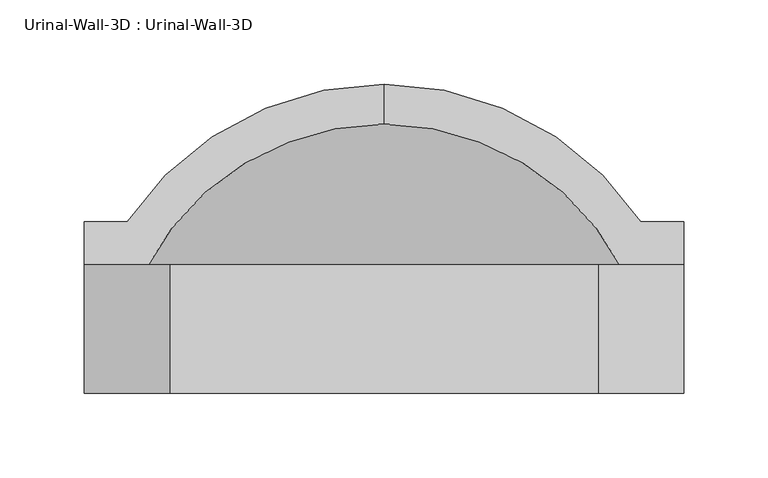
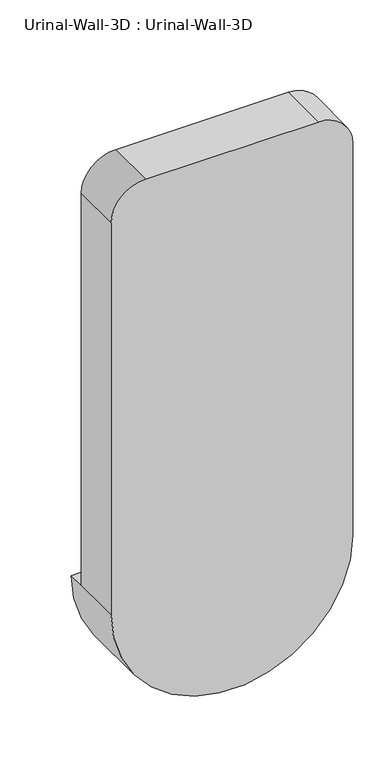
"""IFC4 building model written with IfcOpenShell, lengths in millimetres: flow terminal geometry, Urinal-Wall-3D : Urinal-Wall-3D."""

import ifcopenshell
import ifcopenshell.guid

model = None  # the IFC model being written
_history = None  # IfcOwnerHistory: only IFC2X3 demands one
_inside = {}  # id of a spatial element -> (the spatial element, [elements in it])
_under = {}  # id of a project, library or spatial element -> (it, [spatial elements below it])
_declared = {}  # id of a project -> (the project, [libraries it declares])
_typed = {}  # id of a type object -> (the type object, [elements of that type])
_made_of = {}  # id of a material, layer set ... -> (it, [elements and type objects made of it])


def new_model(schema):
    """Start an empty IFC model of exactly this schema.

    Asked for "IFC4X3", IfcOpenShell would pick the latest addendum, in which some entities
    have other attributes; the version numbers below select the first issue.
    IFC2X3 requires an IfcOwnerHistory on every rooted entity: one is made here for all.
    """
    global model, _history
    if schema == "IFC4X3":
        model = ifcopenshell.file(schema_version=(4, 3, 0, 0))
    else:
        model = ifcopenshell.file(schema=schema)
    _inside.clear()
    _under.clear()
    _declared.clear()
    _typed.clear()
    _made_of.clear()
    _history = None
    if model.schema == "IFC2X3":
        org = make("IfcOrganization", Name="unknown")
        user = make(
            "IfcPersonAndOrganization",
            ThePerson=make("IfcPerson", FamilyName="unknown"),
            TheOrganization=org,
        )
        app = make(
            "IfcApplication",
            ApplicationDeveloper=org,
            Version="unknown",
            ApplicationFullName="unknown",
            ApplicationIdentifier="unknown",
        )
        _history = make(
            "IfcOwnerHistory",
            OwningUser=user,
            OwningApplication=app,
            ChangeAction="ADDED",
            CreationDate=0,
        )
    return model


def make(cls, **values):
    """One entity of the class cls with the attributes given. An attribute that is None is left unset."""
    return model.create_entity(
        cls, **{name: value for name, value in values.items() if value is not None}
    )


def rooted(cls, **values):
    """An entity with a GlobalId (a new one), such as an element, a storey or a relation."""
    return make(cls, GlobalId=ifcopenshell.guid.new(), OwnerHistory=_history, **values)


def si_unit(unit_type, name, prefix=None):
    """IfcSIUnit, for example si_unit("LENGTHUNIT", "METRE", prefix="MILLI")."""
    return make("IfcSIUnit", UnitType=unit_type, Prefix=prefix, Name=name)


def assignment(units):
    """IfcUnitAssignment: the units of a project."""
    return None if units is None else make("IfcUnitAssignment", Units=units)


def point(xyz):
    """IfcCartesianPoint."""
    return None if xyz is None else make("IfcCartesianPoint", Coordinates=xyz)


def direction(xyz):
    """IfcDirection."""
    return None if xyz is None else make("IfcDirection", DirectionRatios=xyz)


def frame(location, z_axis=None, x_axis=None):
    """IfcAxis2Placement3D, a coordinate frame: its origin and axes. An axis left out is left unset."""
    return make(
        "IfcAxis2Placement3D",
        Location=point(location),
        Axis=direction(z_axis),
        RefDirection=direction(x_axis),
    )


def origin():
    """The frame at (0, 0, 0) with its axes left unset."""
    return frame((0.0, 0.0, 0.0))


def place(relative_to, where):
    """IfcLocalPlacement: puts the frame where relative to a parent placement (None: the world)."""
    return make(
        "IfcLocalPlacement", PlacementRelTo=relative_to, RelativePlacement=where
    )


def context(
    kind, dimensions, precision=None, world=None, true_north=None, identifier=None
):
    """IfcGeometricRepresentationContext, for example the 3D "Model" context."""
    return make(
        "IfcGeometricRepresentationContext",
        ContextIdentifier=identifier,
        ContextType=kind,
        CoordinateSpaceDimension=dimensions,
        Precision=precision,
        WorldCoordinateSystem=world,
        TrueNorth=true_north,
    )


def project(units=None, contexts=None):
    """IfcProject with its units and contexts."""
    return rooted(
        "IfcProject",
        Name="project",
        RepresentationContexts=contexts,
        UnitsInContext=assignment(units),
    )


def spatial(cls, under=None, at=None, **own):
    """A site, building, storey or space (cls), placed at a placement, below another one or the project."""
    s = rooted(cls, ObjectPlacement=at, **own)
    if under is not None:
        _under.setdefault(under.id(), (under, []))[1].append(s)
    return s


def polyline(points):
    """IfcPolyline through the points."""
    return make("IfcPolyline", Points=[point(p) for p in points])


def circle_curve(where, radius):
    """IfcCircle in the frame where."""
    return make("IfcCircle", Position=where, Radius=radius)


def ellipse_curve(where, semi_axis1, semi_axis2):
    """IfcEllipse in the frame where."""
    return make(
        "IfcEllipse", Position=where, SemiAxis1=semi_axis1, SemiAxis2=semi_axis2
    )


def trimmed(basis, trim1, trim2, sense, master):
    """IfcTrimmedCurve: the piece of a basis curve between two trims."""
    return make(
        "IfcTrimmedCurve",
        BasisCurve=basis,
        Trim1=trim1,
        Trim2=trim2,
        SenseAgreement=sense,
        MasterRepresentation=master,
    )


def shape(context_of_items, identifier, shape_type, items):
    """IfcShapeRepresentation: the items that make up one representation, for example the "Body"."""
    return make(
        "IfcShapeRepresentation",
        ContextOfItems=context_of_items,
        RepresentationIdentifier=identifier,
        RepresentationType=shape_type,
        Items=items,
    )


def source(mapping_origin, context_of_items, identifier, shape_type, items):
    """IfcRepresentationMap: a shape defined once, which mapped items show again and again."""
    return make(
        "IfcRepresentationMap",
        MappingOrigin=mapping_origin,
        MappedRepresentation=shape(context_of_items, identifier, shape_type, items),
    )


def transform(
    local_origin,
    x_axis=None,
    y_axis=None,
    z_axis=None,
    scale=None,
    scale2=None,
    scale3=None,
    uniform=True,
):
    """IfcCartesianTransformationOperator3D, or its non-uniform kind. x_axis, y_axis, z_axis: its Axis1, 2, 3."""
    if uniform:
        return make(
            "IfcCartesianTransformationOperator3D",
            Axis1=direction(x_axis),
            Axis2=direction(y_axis),
            LocalOrigin=point(local_origin),
            Scale=scale,
            Axis3=direction(z_axis),
        )
    return make(
        "IfcCartesianTransformationOperator3DnonUniform",
        Axis1=direction(x_axis),
        Axis2=direction(y_axis),
        LocalOrigin=point(local_origin),
        Scale=scale,
        Axis3=direction(z_axis),
        Scale2=scale2,
        Scale3=scale3,
    )


def mapped(mapping_source, mapping_target):
    """IfcMappedItem: shows the shape of a source again, moved by a transform."""
    return make(
        "IfcMappedItem", MappingSource=mapping_source, MappingTarget=mapping_target
    )


def made_of(thing, what):
    """Note that an element or type object is made of a material, layer set ...; save() writes the relation."""
    if what is not None:
        _made_of.setdefault(what.id(), (what, []))[1].append(thing)
    return thing


def element(
    cls,
    number,
    at=None,
    inside=None,
    cuts=None,
    type_object=None,
    material=None,
    context=None,
    identifier="Body",
    shape_type=None,
    held_by="IfcProductDefinitionShape",
    body=None,
    shapes=None,
    **own,
):
    """One element of the class cls, such as IfcWall. Its Tag is "e" and its number.

    at: its placement. inside: the storey or other place that contains it. cuts: it is an
    opening in that element (IfcRelVoidsElement). A single representation is given by context,
    identifier, shape_type and body (its items); several are given by shapes. held_by: the class
    of the entity that holds the representations. save() writes the other relations.
    """
    e = rooted(cls, Tag="e%d" % number, ObjectPlacement=at, **own)
    if body is not None:
        shapes = [shape(context, identifier, shape_type, body)]
    if shapes is not None:
        e.Representation = make(held_by, Representations=shapes)
    if inside is not None:
        _inside.setdefault(inside.id(), (inside, []))[1].append(e)
    if cuts is not None:
        rooted(
            "IfcRelVoidsElement", RelatingBuildingElement=cuts, RelatedOpeningElement=e
        )
    if type_object is not None:
        _typed.setdefault(type_object.id(), (type_object, []))[1].append(e)
    return made_of(e, material)


def aggregate(whole, parts):
    """IfcRelAggregates: a whole, such as a stair, and the parts it consists of."""
    return rooted("IfcRelAggregates", RelatingObject=whole, RelatedObjects=parts)


def save(model, path):
    """Write the relations noted so far, then the file.

    IfcRelAggregates (storeys below a building ...), IfcRelContainedInSpatialStructure (elements
    in a storey), IfcRelDefinesByType, IfcRelAssociatesMaterial and IfcRelDeclares: one each for
    every whole, place, type object, material and project.
    """
    for whole, parts in _under.values():
        aggregate(whole, parts)
    for where, things in _inside.values():
        rooted(
            "IfcRelContainedInSpatialStructure",
            RelatedElements=things,
            RelatingStructure=where,
        )
    for kind, things in _typed.values():
        rooted("IfcRelDefinesByType", RelatedObjects=things, RelatingType=kind)
    for what, things in _made_of.values():
        rooted("IfcRelAssociatesMaterial", RelatedObjects=things, RelatingMaterial=what)
    for by, libraries in _declared.values():
        rooted("IfcRelDeclares", RelatingContext=by, RelatedDefinitions=libraries)
    model.write(path)


def plane_surface(at):
    """IfcPlane: the flat surface through the origin of the frame at, square to its z axis."""
    return make("IfcPlane", Position=at)


def cylinder_surface(at, radius):
    """IfcCylindricalSurface: all points at the distance radius from the z axis of the frame at."""
    return make("IfcCylindricalSurface", Position=at, Radius=radius)


def revolved_surface(curve, axis_point, axis_direction):
    """IfcSurfaceOfRevolution: the curve turned about the line through axis_point along axis_direction."""
    return make(
        "IfcSurfaceOfRevolution",
        SweptCurve=make("IfcArbitraryOpenProfileDef", ProfileType="CURVE", Curve=curve),
        AxisPosition=make("IfcAxis1Placement", Location=point(axis_point), Axis=direction(axis_direction)),
    )


def advanced_brep(points, edges, surfaces, faces):
    """IfcAdvancedBrep: a solid bounded by faces that lie on surfaces and meet in shared edges.

    An edge is (start, end): straight between two places in points (the first is 0);
    or (start, end, curve); or (start, end, curve, False) where it runs against its curve.
    A face is (place in surfaces, loops), or (place, loops, False) where it looks against
    its surface's normal. A loop lists edges by number (the first is 1), with a minus sign
    where the edge is run from its end to its start. The first loop is the outer one.
    """
    corners = [point(p) for p in points]
    vertices = [make("IfcVertexPoint", VertexGeometry=c) for c in corners]
    made = []
    for start, end, *more in edges:
        made.append(
            make(
                "IfcEdgeCurve",
                EdgeStart=vertices[start],
                EdgeEnd=vertices[end],
                EdgeGeometry=more[0] if more else make("IfcPolyline", Points=[corners[start], corners[end]]),
                SameSense=more[1] if len(more) > 1 else True,
            )
        )
    hull = []
    for where, loops, *sense in faces:
        bounds = []
        for j, loop in enumerate(loops):
            ring = [make("IfcOrientedEdge", EdgeElement=made[abs(k) - 1], Orientation=k > 0) for k in loop]
            bounds.append(
                make(
                    "IfcFaceOuterBound" if j == 0 else "IfcFaceBound",
                    Bound=make("IfcEdgeLoop", EdgeList=ring),
                    Orientation=True,
                )
            )
        hull.append(make("IfcAdvancedFace", Bounds=bounds, FaceSurface=surfaces[where], SameSense=sense[0] if sense else True))
    return make("IfcAdvancedBrep", Outer=make("IfcClosedShell", CfsFaces=hull))


def urinal_wall_3d_urinal_wall_3d_9d7ce518(model_context):
    return source(origin(), model_context, "Body", "AdvancedBrep", [
        advanced_brep(
        [(-109.0745999, 258.1620048, 609.6), (-109.0745999, 234.4447043, 609.6), (43.3254001, 121.8706063, 609.6), (43.3254001, 151.2, 609.6), (68.7254001, 151.2, 609.6), (68.7254001, 176.6, 609.6), (43.3254001, 176.6, 609.6), (-261.4745999, 176.6, 609.6), (-286.8745999, 176.6, 609.6), (-286.8745999, 151.2, 609.6), (-261.4745999, 151.2, 609.6), (-261.4745999, 121.8706063, 609.6), (-261.4745999, 87.7, 609.6), (43.3254001, 87.7, 609.6), (-286.8745999, 75.0, 609.6), (68.7254001, 75.0, 609.6), (68.7254001, 75.0, 1219.2), (17.9254001, 75.0, 1270.0), (-236.0745999, 75.0, 1270.0), (-286.8745999, 75.0, 1219.2), (43.3254001, 151.2, 1168.4), (-7.4745999, 151.2, 1219.2), (-210.6745999, 151.2, 1219.2), (-261.4745999, 151.2, 1168.4), (-286.8745999, 151.2, 1219.2), (-236.0745999, 151.2, 1270.0), (17.9254001, 151.2, 1270.0), (68.7254001, 151.2, 1219.2), (43.3254001, 87.7, 1168.4), (-7.4745999, 87.7, 1219.2), (-210.6745999, 87.7, 1219.2), (-261.4745999, 87.7, 1168.4)],
        [
            (0, 1),
            (1, 2, circle_curve(frame((-109.0745999, 75.0, 609.6), z_axis=(0.0, 0.0, -1.0), x_axis=(1.0, 0.0, 0.0)), 159.4447043)),
            (2, 3),
            (3, 4),
            (4, 5),
            (5, 6),
            (6, 0, circle_curve(frame((-109.0745999, 75.0, 609.6), z_axis=(0.0, 0.0, 1.0), x_axis=(1.0, 0.0, 0.0)), 183.1620048)),
            (0, 7, circle_curve(frame((-109.0745999, 75.0, 609.6), z_axis=(0.0, 0.0, 1.0), x_axis=(-1.0, 0.0, 0.0)), 183.1620048)),
            (7, 8),
            (8, 9),
            (9, 10),
            (10, 11),
            (11, 1, circle_curve(frame((-109.0745999, 75.0, 609.6), z_axis=(0.0, 0.0, -1.0), x_axis=(-1.0, 0.0, 0.0)), 159.4447043)),
            (11, 2, circle_curve(frame((-109.0745999, 121.8706063, 609.6), z_axis=(0.0, -1.0, 0.0), x_axis=(1.0, 0.0, 0.0)), 152.4)),
            (11, 12),
            (12, 13, circle_curve(frame((-109.0745999, 87.7, 609.6), z_axis=(0.0, -1.0, 0.0), x_axis=(1.0, 0.0, 0.0)), 152.4)),
            (13, 2),
            (14, 15, circle_curve(frame((-109.0745999, 75.0, 609.6), z_axis=(0.0, -1.0, 0.0), x_axis=(1.0, 0.0, 0.0)), 177.8)),
            (15, 16),
            (16, 17, circle_curve(frame((17.9254001, 75.0, 1219.2), z_axis=(0.0, -1.0, 0.0), x_axis=(-1.0, 0.0, 0.0)), 50.8)),
            (17, 18),
            (18, 19, circle_curve(frame((-236.0745999, 75.0, 1219.2), z_axis=(0.0, -1.0, 0.0), x_axis=(-1.0, 0.0, 0.0)), 50.8)),
            (19, 14),
            (14, 9),
            (8, 5, circle_curve(frame((-109.0745999, 176.6, 609.6), z_axis=(0.0, -1.0, 0.0), x_axis=(1.0, 0.0, 0.0)), 177.8)),
            (4, 15),
            (7, 6, circle_curve(frame((-109.0745999, 176.6, 609.6), z_axis=(0.0, -1.0, 0.0), x_axis=(1.0, 0.0, 0.0)), 152.4)),
            (3, 20),
            (20, 21, circle_curve(frame((-7.4745999, 151.2, 1168.4), z_axis=(0.0, -1.0, 0.0), x_axis=(-1.0, 0.0, 0.0)), 50.8)),
            (21, 22),
            (22, 23, circle_curve(frame((-210.6745999, 151.2, 1168.4), z_axis=(0.0, -1.0, 0.0), x_axis=(-1.0, 0.0, 0.0)), 50.8)),
            (23, 10),
            (9, 24),
            (24, 25, circle_curve(frame((-236.0745999, 151.2, 1219.2), z_axis=(0.0, 1.0, 0.0), x_axis=(-1.0, 0.0, 0.0)), 50.8)),
            (25, 26),
            (26, 27, circle_curve(frame((17.9254001, 151.2, 1219.2), z_axis=(0.0, 1.0, 0.0), x_axis=(-1.0, 0.0, 0.0)), 50.8)),
            (27, 4),
            (13, 28),
            (28, 20),
            (28, 29, circle_curve(frame((-7.4745999, 87.7, 1168.4), z_axis=(0.0, -1.0, 0.0), x_axis=(-1.0, 0.0, 0.0)), 50.8)),
            (29, 21),
            (29, 30),
            (30, 22),
            (30, 31, circle_curve(frame((-210.6745999, 87.7, 1168.4), z_axis=(0.0, -1.0, 0.0), x_axis=(-1.0, 0.0, 0.0)), 50.8)),
            (31, 23),
            (31, 12),
            (19, 24),
            (18, 25),
            (17, 26),
            (16, 27),
        ],
        [
            plane_surface(frame((-109.0745999, 364.2104173, 609.6), z_axis=(0.0, 0.0, 1.0), x_axis=(1.0, 0.0, 0.0))),
            plane_surface(frame((-109.0745999, 364.2104173, 609.6), z_axis=(0.0, 0.0, 1.0), x_axis=(-1.0, 0.0, 0.0))),
            revolved_surface(trimmed(ellipse_curve(frame((-109.0745999, 75.0, 609.6), z_axis=(0.0, 0.0, -1.0), x_axis=(1.0, 0.0, 0.0)), 159.4447043, 159.4447043), [point((-109.0745999, 234.4447043, 609.6))], [point((43.3254001, 121.8706063, 609.6))], True, "CARTESIAN"), (-109.0745999, 364.2104173, 609.6), (0.0, 1.0, 0.0)),
            revolved_surface(polyline([(43.32540010000001, 121.87060630000002, 609.6), (43.32540010000001, 87.69999999999999, 609.6)]), (-109.0745999, 364.2104173, 609.6), (0.0, 1.0, 0.0)),
            plane_surface(frame((-109.0745999, 75.0, 609.6), z_axis=(0.0, -1.0, 0.0), x_axis=(1.0, 0.0, 0.0))),
            cylinder_surface(frame((-109.0745999, 364.2104173, 609.6), z_axis=(0.0, 1.0, 0.0), x_axis=(1.0, 0.0, 0.0)), 177.8),
            plane_surface(frame((-109.0745999, 176.6, 609.6), z_axis=(0.0, 1.0, 0.0), x_axis=(1.0, 0.0, 0.0))),
            revolved_surface(trimmed(ellipse_curve(frame((-109.0745999, 75.0, 609.6), z_axis=(0.0, 0.0, 1.0), x_axis=(1.0, 0.0, 0.0)), 183.1620048, 183.1620048), [point((43.3254001, 176.6, 609.6))], [point((-109.0745999, 258.1620048, 609.6))], True, "CARTESIAN"), (-109.0745999, 364.2104173, 609.6), (0.0, 1.0, 0.0)),
            plane_surface(frame((43.3254001, 151.2, 609.6), z_axis=(0.0, 1.0, 0.0), x_axis=(0.0, 0.0, 1.0))),
            plane_surface(frame((43.3254001, 151.2, 609.6), z_axis=(-1.0, 0.0, 0.0), x_axis=(0.0, -1.0, 0.0))),
            revolved_surface(polyline([(-58.2745999, 87.7, 1168.4), (-58.2745999, 151.2, 1168.4)]), (-7.4745999, 75.0, 1168.4), (0.0, -1.0, 0.0)),
            plane_surface(frame((-7.4745999, 151.2, 1219.2), z_axis=(0.0, 0.0, -1.0), x_axis=(0.0, -1.0, 0.0))),
            revolved_surface(polyline([(-261.4745999, 87.7, 1168.4), (-261.4745999, 151.2, 1168.4)]), (-210.6745999, 75.0, 1168.4), (0.0, -1.0, 0.0)),
            plane_surface(frame((-261.4745999, 151.2, 1168.4), z_axis=(1.0, 0.0, 0.0), x_axis=(0.0, -1.0, 0.0))),
            plane_surface(frame((-286.8745999, 151.2, 609.6), z_axis=(-1.0, 0.0, 0.0), x_axis=(0.0, -1.0, 0.0))),
            cylinder_surface(frame((-236.0745999, 75.0, 1219.2), z_axis=(0.0, 1.0, 0.0), x_axis=(-1.0, 0.0, 0.0)), 50.8),
            plane_surface(frame((-236.0745999, 151.2, 1270.0), z_axis=(0.0, 0.0, 1.0), x_axis=(0.0, -1.0, 0.0))),
            cylinder_surface(frame((17.9254001, 75.0, 1219.2), z_axis=(0.0, 1.0, 0.0), x_axis=(-1.0, 0.0, 0.0)), 50.8),
            plane_surface(frame((68.7254001, 151.2, 1219.2), z_axis=(1.0, 0.0, 0.0), x_axis=(0.0, -1.0, 0.0))),
            plane_surface(frame((43.3254001, 87.7, 609.6), z_axis=(0.0, 1.0, 0.0), x_axis=(0.0, 0.0, -1.0))),
        ],
        [
            (0, [[1, 2, 3, 4, 5, 6, 7]]),
            (1, [[-1, 8, 9, 10, 11, 12, 13]]),
            (2, [[-2, -13, 14]]),
            (3, [[-14, 15, 16, 17]]),
            (4, [[18, 19, 20, 21, 22, 23]]),
            (5, [[-18, 24, -10, 25, -5, 26]]),
            (6, [[-6, -25, -9, 27]]),
            (7, [[-7, -27, -8]]),
            (8, [[28, 29, 30, 31, 32, -11, 33, 34, 35, 36, 37, -4]]),
            (9, [[-28, -3, -17, 38, 39]]),
            (10, [[-29, -39, 40, 41]]),
            (11, [[-30, -41, 42, 43]]),
            (12, [[-31, -43, 44, 45]]),
            (13, [[-32, -45, 46, -15, -12]]),
            (14, [[-33, -24, -23, 47]]),
            (15, [[-34, -47, -22, 48]]),
            (16, [[-35, -48, -21, 49]]),
            (17, [[-36, -49, -20, 50]]),
            (18, [[-37, -50, -19, -26]]),
            (19, [[-16, -46, -44, -42, -40, -38]]),
        ],
    ),
    ])


if __name__ == "__main__":
    model = new_model("IFC4")
    model_context = context("Model", 3, world=origin())
    ifc_project = project(units=[si_unit("LENGTHUNIT", "METRE", prefix="MILLI")], contexts=[model_context])
    site = spatial("IfcSite", under=ifc_project)
    building = spatial("IfcBuilding", under=site)
    placement = place(None, origin())
    urinal_wall_3d_urinal_wall_3d_shape = urinal_wall_3d_urinal_wall_3d_9d7ce518(model_context)
    element("IfcFlowTerminal", 1, ObjectType="Urinal-Wall-3D : Urinal-Wall-3D", at=placement, inside=building, context=model_context, shape_type="MappedRepresentation", body=[
        mapped(urinal_wall_3d_urinal_wall_3d_shape, transform((0.0, 0.0, 0.0), x_axis=(1.0, 0.0, 0.0), y_axis=(0.0, 1.0, 0.0), z_axis=(0.0, 0.0, 1.0))),
    ])
    save(model, "model.ifc")
